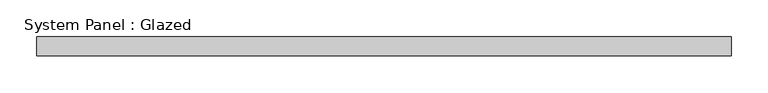
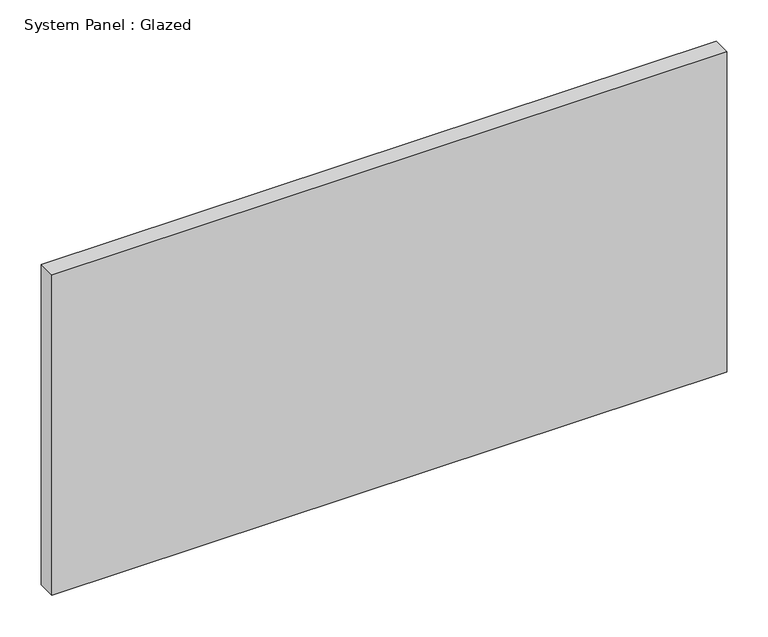
"""IFC4 building model written with IfcOpenShell, lengths in millimetres: plate geometry, System Panel : Glazed."""

from ifc_helpers import new_model, si_unit, origin, origin_with_axes, place, context, project, spatial, polyline, outline, extrude, source, transform, mapped, element, save


def system_panel_glazed_63494652(model_context):
    return source(origin(), model_context, "Body", "SweptSolid", [
        extrude(outline(polyline([(469.9, 19.05), (-469.9, 19.05), (-469.9, 44.45), (469.9, 44.45), (469.9, 19.05)])), origin_with_axes(), (0.0, 0.0, 1.0), 472.0166667),
    ])


if __name__ == "__main__":
    model = new_model("IFC4")
    model_context = context("Model", 3, world=origin())
    ifc_project = project(units=[si_unit("LENGTHUNIT", "METRE", prefix="MILLI")], contexts=[model_context])
    site = spatial("IfcSite", under=ifc_project)
    building = spatial("IfcBuilding", under=site)
    placement = place(None, origin())
    system_panel_glazed_shape = system_panel_glazed_63494652(model_context)
    element("IfcPlate", 1, ObjectType="System Panel : Glazed", at=placement, inside=building, context=model_context, shape_type="MappedRepresentation", body=[
        mapped(system_panel_glazed_shape, transform((0.0, 0.0, 0.0), x_axis=(1.0, 0.0, 0.0), y_axis=(0.0, 1.0, 0.0), z_axis=(0.0, 0.0, 1.0))),
    ])
    save(model, "model.ifc")
